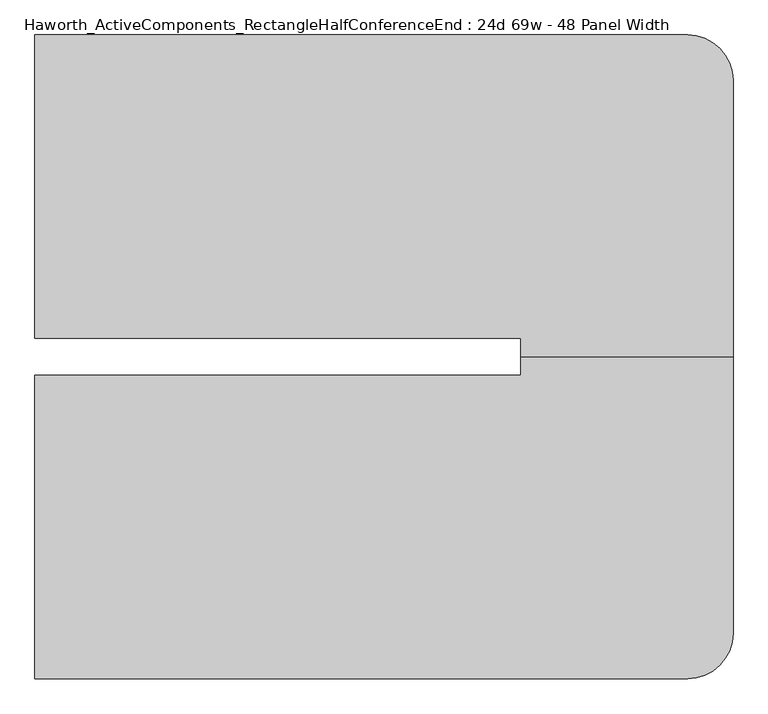
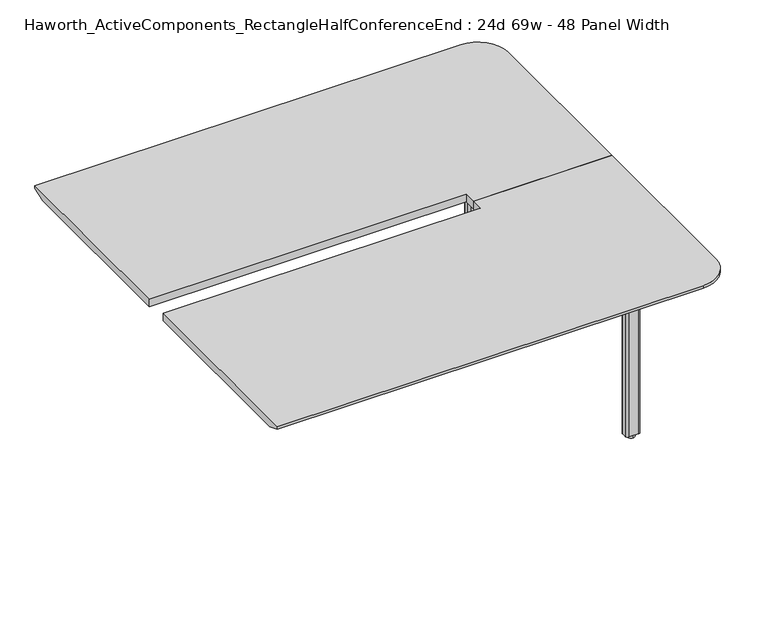
"""IFC4 building model written with IfcOpenShell, lengths in millimetres: furniture geometry, Haworth_ActiveComponents_RectangleHalfConferenceEnd : 24d 69w - 48 Panel Width."""

import ifcopenshell
import ifcopenshell.guid

model = None  # the IFC model being written
_history = None  # IfcOwnerHistory: only IFC2X3 demands one
_inside = {}  # id of a spatial element -> (the spatial element, [elements in it])
_under = {}  # id of a project, library or spatial element -> (it, [spatial elements below it])
_declared = {}  # id of a project -> (the project, [libraries it declares])
_typed = {}  # id of a type object -> (the type object, [elements of that type])
_made_of = {}  # id of a material, layer set ... -> (it, [elements and type objects made of it])


def new_model(schema):
    """Start an empty IFC model of exactly this schema.

    Asked for "IFC4X3", IfcOpenShell would pick the latest addendum, in which some entities
    have other attributes; the version numbers below select the first issue.
    IFC2X3 requires an IfcOwnerHistory on every rooted entity: one is made here for all.
    """
    global model, _history
    if schema == "IFC4X3":
        model = ifcopenshell.file(schema_version=(4, 3, 0, 0))
    else:
        model = ifcopenshell.file(schema=schema)
    _inside.clear()
    _under.clear()
    _declared.clear()
    _typed.clear()
    _made_of.clear()
    _history = None
    if model.schema == "IFC2X3":
        org = make("IfcOrganization", Name="unknown")
        user = make(
            "IfcPersonAndOrganization",
            ThePerson=make("IfcPerson", FamilyName="unknown"),
            TheOrganization=org,
        )
        app = make(
            "IfcApplication",
            ApplicationDeveloper=org,
            Version="unknown",
            ApplicationFullName="unknown",
            ApplicationIdentifier="unknown",
        )
        _history = make(
            "IfcOwnerHistory",
            OwningUser=user,
            OwningApplication=app,
            ChangeAction="ADDED",
            CreationDate=0,
        )
    return model


def make(cls, **values):
    """One entity of the class cls with the attributes given. An attribute that is None is left unset."""
    return model.create_entity(
        cls, **{name: value for name, value in values.items() if value is not None}
    )


def rooted(cls, **values):
    """An entity with a GlobalId (a new one), such as an element, a storey or a relation."""
    return make(cls, GlobalId=ifcopenshell.guid.new(), OwnerHistory=_history, **values)


def si_unit(unit_type, name, prefix=None):
    """IfcSIUnit, for example si_unit("LENGTHUNIT", "METRE", prefix="MILLI")."""
    return make("IfcSIUnit", UnitType=unit_type, Prefix=prefix, Name=name)


def assignment(units):
    """IfcUnitAssignment: the units of a project."""
    return None if units is None else make("IfcUnitAssignment", Units=units)


def point(xyz):
    """IfcCartesianPoint."""
    return None if xyz is None else make("IfcCartesianPoint", Coordinates=xyz)


def direction(xyz):
    """IfcDirection."""
    return None if xyz is None else make("IfcDirection", DirectionRatios=xyz)


def frame(location, z_axis=None, x_axis=None):
    """IfcAxis2Placement3D, a coordinate frame: its origin and axes. An axis left out is left unset."""
    return make(
        "IfcAxis2Placement3D",
        Location=point(location),
        Axis=direction(z_axis),
        RefDirection=direction(x_axis),
    )


def frame_2d(location, x_axis=None):
    """IfcAxis2Placement2D, a coordinate frame in the plane: its origin and x axis."""
    return make(
        "IfcAxis2Placement2D", Location=point(location), RefDirection=direction(x_axis)
    )


def origin():
    """The frame at (0, 0, 0) with its axes left unset."""
    return frame((0.0, 0.0, 0.0))


def origin_with_axes():
    """The frame at (0, 0, 0) with the z axis (0, 0, 1) and the x axis (1, 0, 0) written out."""
    return frame((0.0, 0.0, 0.0), z_axis=(0.0, 0.0, 1.0), x_axis=(1.0, 0.0, 0.0))


def place(relative_to, where):
    """IfcLocalPlacement: puts the frame where relative to a parent placement (None: the world)."""
    return make(
        "IfcLocalPlacement", PlacementRelTo=relative_to, RelativePlacement=where
    )


def context(
    kind, dimensions, precision=None, world=None, true_north=None, identifier=None
):
    """IfcGeometricRepresentationContext, for example the 3D "Model" context."""
    return make(
        "IfcGeometricRepresentationContext",
        ContextIdentifier=identifier,
        ContextType=kind,
        CoordinateSpaceDimension=dimensions,
        Precision=precision,
        WorldCoordinateSystem=world,
        TrueNorth=true_north,
    )


def project(units=None, contexts=None):
    """IfcProject with its units and contexts."""
    return rooted(
        "IfcProject",
        Name="project",
        RepresentationContexts=contexts,
        UnitsInContext=assignment(units),
    )


def spatial(cls, under=None, at=None, **own):
    """A site, building, storey or space (cls), placed at a placement, below another one or the project."""
    s = rooted(cls, ObjectPlacement=at, **own)
    if under is not None:
        _under.setdefault(under.id(), (under, []))[1].append(s)
    return s


def polyline(points):
    """IfcPolyline through the points."""
    return make("IfcPolyline", Points=[point(p) for p in points])


def circle_curve(where, radius):
    """IfcCircle in the frame where."""
    return make("IfcCircle", Position=where, Radius=radius)


def trimmed(basis, trim1, trim2, sense, master):
    """IfcTrimmedCurve: the piece of a basis curve between two trims."""
    return make(
        "IfcTrimmedCurve",
        BasisCurve=basis,
        Trim1=trim1,
        Trim2=trim2,
        SenseAgreement=sense,
        MasterRepresentation=master,
    )


def segment(curve, same_sense, transition):
    """IfcCompositeCurveSegment."""
    return make(
        "IfcCompositeCurveSegment",
        Transition=transition,
        SameSense=same_sense,
        ParentCurve=curve,
    )


def composite_curve(segments, self_intersect=None):
    """IfcCompositeCurve: segments joined end to end."""
    return make("IfcCompositeCurve", Segments=segments, SelfIntersect=self_intersect)


def outline(outer, holes=None, kind="AREA"):
    """IfcArbitraryClosedProfileDef: a profile drawn as a closed curve; with holes, ...WithVoids."""
    if holes is None:
        return make("IfcArbitraryClosedProfileDef", ProfileType=kind, OuterCurve=outer)
    return make(
        "IfcArbitraryProfileDefWithVoids",
        ProfileType=kind,
        OuterCurve=outer,
        InnerCurves=holes,
    )


def extrude(swept, where, along, depth):
    """IfcExtrudedAreaSolid: the profile swept, set in the frame where, extruded along a direction by depth."""
    return make(
        "IfcExtrudedAreaSolid",
        SweptArea=swept,
        Position=where,
        ExtrudedDirection=direction(along),
        Depth=depth,
    )


def shape(context_of_items, identifier, shape_type, items):
    """IfcShapeRepresentation: the items that make up one representation, for example the "Body"."""
    return make(
        "IfcShapeRepresentation",
        ContextOfItems=context_of_items,
        RepresentationIdentifier=identifier,
        RepresentationType=shape_type,
        Items=items,
    )


def source(mapping_origin, context_of_items, identifier, shape_type, items):
    """IfcRepresentationMap: a shape defined once, which mapped items show again and again."""
    return make(
        "IfcRepresentationMap",
        MappingOrigin=mapping_origin,
        MappedRepresentation=shape(context_of_items, identifier, shape_type, items),
    )


def transform(
    local_origin,
    x_axis=None,
    y_axis=None,
    z_axis=None,
    scale=None,
    scale2=None,
    scale3=None,
    uniform=True,
):
    """IfcCartesianTransformationOperator3D, or its non-uniform kind. x_axis, y_axis, z_axis: its Axis1, 2, 3."""
    if uniform:
        return make(
            "IfcCartesianTransformationOperator3D",
            Axis1=direction(x_axis),
            Axis2=direction(y_axis),
            LocalOrigin=point(local_origin),
            Scale=scale,
            Axis3=direction(z_axis),
        )
    return make(
        "IfcCartesianTransformationOperator3DnonUniform",
        Axis1=direction(x_axis),
        Axis2=direction(y_axis),
        LocalOrigin=point(local_origin),
        Scale=scale,
        Axis3=direction(z_axis),
        Scale2=scale2,
        Scale3=scale3,
    )


def mapped(mapping_source, mapping_target):
    """IfcMappedItem: shows the shape of a source again, moved by a transform."""
    return make(
        "IfcMappedItem", MappingSource=mapping_source, MappingTarget=mapping_target
    )


def made_of(thing, what):
    """Note that an element or type object is made of a material, layer set ...; save() writes the relation."""
    if what is not None:
        _made_of.setdefault(what.id(), (what, []))[1].append(thing)
    return thing


def element(
    cls,
    number,
    at=None,
    inside=None,
    cuts=None,
    type_object=None,
    material=None,
    context=None,
    identifier="Body",
    shape_type=None,
    held_by="IfcProductDefinitionShape",
    body=None,
    shapes=None,
    **own,
):
    """One element of the class cls, such as IfcWall. Its Tag is "e" and its number.

    at: its placement. inside: the storey or other place that contains it. cuts: it is an
    opening in that element (IfcRelVoidsElement). A single representation is given by context,
    identifier, shape_type and body (its items); several are given by shapes. held_by: the class
    of the entity that holds the representations. save() writes the other relations.
    """
    e = rooted(cls, Tag="e%d" % number, ObjectPlacement=at, **own)
    if body is not None:
        shapes = [shape(context, identifier, shape_type, body)]
    if shapes is not None:
        e.Representation = make(held_by, Representations=shapes)
    if inside is not None:
        _inside.setdefault(inside.id(), (inside, []))[1].append(e)
    if cuts is not None:
        rooted(
            "IfcRelVoidsElement", RelatingBuildingElement=cuts, RelatedOpeningElement=e
        )
    if type_object is not None:
        _typed.setdefault(type_object.id(), (type_object, []))[1].append(e)
    return made_of(e, material)


def aggregate(whole, parts):
    """IfcRelAggregates: a whole, such as a stair, and the parts it consists of."""
    return rooted("IfcRelAggregates", RelatingObject=whole, RelatedObjects=parts)


def save(model, path):
    """Write the relations noted so far, then the file.

    IfcRelAggregates (storeys below a building ...), IfcRelContainedInSpatialStructure (elements
    in a storey), IfcRelDefinesByType, IfcRelAssociatesMaterial and IfcRelDeclares: one each for
    every whole, place, type object, material and project.
    """
    for whole, parts in _under.values():
        aggregate(whole, parts)
    for where, things in _inside.values():
        rooted(
            "IfcRelContainedInSpatialStructure",
            RelatedElements=things,
            RelatingStructure=where,
        )
    for kind, things in _typed.values():
        rooted("IfcRelDefinesByType", RelatedObjects=things, RelatingType=kind)
    for what, things in _made_of.values():
        rooted("IfcRelAssociatesMaterial", RelatedObjects=things, RelatingMaterial=what)
    for by, libraries in _declared.values():
        rooted("IfcRelDeclares", RelatingContext=by, RelatedDefinitions=libraries)
    model.write(path)


def plane_surface(at):
    """IfcPlane: the flat surface through the origin of the frame at, square to its z axis."""
    return make("IfcPlane", Position=at)


def cylinder_surface(at, radius):
    """IfcCylindricalSurface: all points at the distance radius from the z axis of the frame at."""
    return make("IfcCylindricalSurface", Position=at, Radius=radius)


def revolved_surface(curve, axis_point, axis_direction):
    """IfcSurfaceOfRevolution: the curve turned about the line through axis_point along axis_direction."""
    return make(
        "IfcSurfaceOfRevolution",
        SweptCurve=make("IfcArbitraryOpenProfileDef", ProfileType="CURVE", Curve=curve),
        AxisPosition=make("IfcAxis1Placement", Location=point(axis_point), Axis=direction(axis_direction)),
    )


def advanced_brep(points, edges, surfaces, faces):
    """IfcAdvancedBrep: a solid bounded by faces that lie on surfaces and meet in shared edges.

    An edge is (start, end): straight between two places in points (the first is 0);
    or (start, end, curve); or (start, end, curve, False) where it runs against its curve.
    A face is (place in surfaces, loops), or (place, loops, False) where it looks against
    its surface's normal. A loop lists edges by number (the first is 1), with a minus sign
    where the edge is run from its end to its start. The first loop is the outer one.
    """
    corners = [point(p) for p in points]
    vertices = [make("IfcVertexPoint", VertexGeometry=c) for c in corners]
    made = []
    for start, end, *more in edges:
        made.append(
            make(
                "IfcEdgeCurve",
                EdgeStart=vertices[start],
                EdgeEnd=vertices[end],
                EdgeGeometry=more[0] if more else make("IfcPolyline", Points=[corners[start], corners[end]]),
                SameSense=more[1] if len(more) > 1 else True,
            )
        )
    hull = []
    for where, loops, *sense in faces:
        bounds = []
        for j, loop in enumerate(loops):
            ring = [make("IfcOrientedEdge", EdgeElement=made[abs(k) - 1], Orientation=k > 0) for k in loop]
            bounds.append(
                make(
                    "IfcFaceOuterBound" if j == 0 else "IfcFaceBound",
                    Bound=make("IfcEdgeLoop", EdgeList=ring),
                    Orientation=True,
                )
            )
        hull.append(make("IfcAdvancedFace", Bounds=bounds, FaceSurface=surfaces[where], SameSense=sense[0] if sense else True))
    return make("IfcAdvancedBrep", Outer=make("IfcClosedShell", CfsFaces=hull))


def haworth_activecomponents_rectanglehalfconferenceend_24d_69w_4d242144(model_context):
    return source(origin(), model_context, "Body", "SolidModel", [
        extrude(outline(composite_curve([segment(polyline([(1015.20625, 754.3340234), (1015.20625, 887.6840234)]), True, "CONTINUOUS"), segment(trimmed(circle_curve(frame_2d((1024.73125, 887.6840234)), 9.525), [point((1015.20625, 887.6840234))], [point((1024.73125, 897.2090234))], False, "CARTESIAN"), True, "CONTINUOUS"), segment(polyline([(1024.73125, 897.2090234), (1158.08125, 897.2090234)]), True, "CONTINUOUS"), segment(trimmed(circle_curve(frame_2d((1158.08125, 887.6840234)), 9.525), [point((1158.08125, 897.2090234))], [point((1167.60625, 887.6840234))], False, "CARTESIAN"), True, "CONTINUOUS"), segment(polyline([(1167.60625, 887.6840234), (1167.60625, 754.3340234)]), True, "CONTINUOUS"), segment(trimmed(circle_curve(frame_2d((1158.08125, 754.3340234)), 9.525), [point((1167.60625, 754.3340234))], [point((1158.08125, 744.8090234))], False, "CARTESIAN"), True, "CONTINUOUS"), segment(polyline([(1158.08125, 744.8090234), (1024.73125, 744.8090234)]), True, "CONTINUOUS"), segment(trimmed(circle_curve(frame_2d((1024.73125, 754.3340234)), 9.525), [point((1024.73125, 744.8090234))], [point((1015.20625, 754.3340234))], False, "CARTESIAN"), True, "CONTINUOUS")], self_intersect=False)), frame((0.0, 0.0, 706.4375), z_axis=(0.0, 0.0, 1.0), x_axis=(1.0, 0.0, 0.0)), (0.0, 0.0, 1.0), 4.7625),
        extrude(outline(composite_curve([segment(trimmed(circle_curve(frame_2d((1091.40625, 821.0090234)), 13.6023831), [point((1091.40625, 834.6114065))], [point((1091.40625, 807.4066404))], False, "CARTESIAN"), True, "CONTINUOUS"), segment(trimmed(circle_curve(frame_2d((1091.40625, 821.0090234)), 13.6023831), [point((1091.40625, 807.4066404))], [point((1091.40625, 834.6114065))], False, "CARTESIAN"), True, "CONTINUOUS")], self_intersect=False)), origin_with_axes(), (0.0, 0.0, 1.0), 12.7),
        extrude(outline(composite_curve([segment(polyline([(1063.625, 813.0715234), (1063.625, 828.9465234)]), True, "CONTINUOUS"), segment(trimmed(circle_curve(frame_2d((1073.15, 828.9465234)), 9.525), [point((1063.625, 828.9465234))], [point((1073.15, 838.4715234))], False, "CARTESIAN"), True, "CONTINUOUS"), segment(polyline([(1073.15, 838.4715234), (1109.6625, 838.4715234)]), True, "CONTINUOUS"), segment(trimmed(circle_curve(frame_2d((1109.6625, 828.9465234)), 9.525), [point((1109.6625, 838.4715234))], [point((1119.1875, 828.9465234))], False, "CARTESIAN"), True, "CONTINUOUS"), segment(polyline([(1119.1875, 828.9465234), (1119.1875, 813.0715234)]), True, "CONTINUOUS"), segment(trimmed(circle_curve(frame_2d((1109.6625, 813.0715234)), 9.525), [point((1119.1875, 813.0715234))], [point((1109.6625, 803.5465234))], False, "CARTESIAN"), True, "CONTINUOUS"), segment(polyline([(1109.6625, 803.5465234), (1073.15, 803.5465234)]), True, "CONTINUOUS"), segment(trimmed(circle_curve(frame_2d((1073.15, 813.0715234)), 9.525), [point((1073.15, 803.5465234))], [point((1063.625, 813.0715234))], False, "CARTESIAN"), True, "CONTINUOUS")], self_intersect=False)), frame((0.0, 0.0, 12.7), z_axis=(0.0, 0.0, 1.0), x_axis=(1.0, 0.0, 0.0)), (0.0, 0.0, 1.0), 693.7375),
        advanced_brep(
        [(787.4, 341.5840234, 741.3625), (787.4, 295.5465234, 741.3625), (1320.8, 295.5465234, 741.3625), (1320.8, 989.2840234, 741.3625), (1206.5, 1103.5840234, 741.3625), (-431.8, 1103.5840234, 741.3625), (-431.8, 341.5840234, 741.3625), (787.4, 341.5840234, 711.2), (-431.8, 341.5840234, 711.2), (-431.8, 1052.7840234, 711.2), (1206.5, 1052.7840234, 711.2), (1270.0, 989.2840234, 711.2), (1270.0, 295.5465234, 711.2), (787.4, 295.5465234, 711.2), (-431.8, 1103.5840234, 731.8375), (1206.5, 1103.5840234, 731.8375), (1320.8, 295.5465234, 731.8375), (1320.8, 989.2840234, 731.8375)],
        [
            (0, 1),
            (1, 2),
            (2, 3),
            (3, 4, circle_curve(frame((1206.5, 989.2840234, 741.3625), z_axis=(0.0, 0.0, 1.0), x_axis=(1.0, 0.0, 0.0)), 114.3)),
            (4, 5),
            (5, 6),
            (6, 0),
            (7, 8),
            (8, 9),
            (9, 10),
            (10, 11, circle_curve(frame((1206.5, 989.2840234, 711.2), z_axis=(0.0, 0.0, -1.0), x_axis=(0.0, 1.0, 0.0)), 63.5)),
            (11, 12),
            (12, 13),
            (13, 7),
            (6, 8),
            (7, 0),
            (5, 14),
            (14, 9),
            (4, 15),
            (15, 14),
            (2, 16),
            (16, 17),
            (17, 3),
            (17, 15, circle_curve(frame((1206.5, 989.2840234, 731.8375), z_axis=(0.0, 0.0, 1.0), x_axis=(1.0, 0.0, 0.0)), 114.3)),
            (1, 13),
            (12, 16),
            (15, 10),
            (17, 11),
        ],
        [
            plane_surface(frame((-431.8, 341.5840234, 741.3625), z_axis=(0.0, 0.0, 1.0), x_axis=(-1.0, 0.0, 0.0))),
            plane_surface(frame((-431.8, 341.5840234, 711.2), z_axis=(0.0, 0.0, -1.0), x_axis=(1.0, 0.0, 0.0))),
            plane_surface(frame((787.4, 341.5840234, 741.3625), z_axis=(0.0, -1.0, 0.0), x_axis=(0.0, 0.0, -1.0))),
            plane_surface(frame((-431.8, 341.5840234, 741.3625), z_axis=(-1.0, 0.0, 0.0), x_axis=(0.0, 0.0, -1.0))),
            plane_surface(frame((-431.8, 1103.5840234, 741.3625), z_axis=(0.0, 1.0, 0.0), x_axis=(0.0, 0.0, -1.0))),
            plane_surface(frame((1320.8, 989.2840234, 741.3625), z_axis=(1.0, 0.0, 0.0), x_axis=(0.0, 0.0, -1.0))),
            cylinder_surface(frame((1206.5, 989.2840234, 711.2), z_axis=(0.0, 0.0, 1.0), x_axis=(1.0, 0.0, 0.0)), 114.3),
            plane_surface(frame((1320.8, 295.5465234, 741.3625), z_axis=(0.0, -1.0, 0.0), x_axis=(0.0, 0.0, -1.0))),
            plane_surface(frame((787.4, 295.5465234, 741.3625), z_axis=(-1.0, 0.0, 0.0), x_axis=(0.0, 0.0, -1.0))),
            plane_surface(frame((-431.8, 1103.5840234, 731.8375), z_axis=(0.0, 0.3763770469570871, -0.9264665771218423), x_axis=(1.0, 0.0, 0.0))),
            revolved_surface(polyline([(1206.5, 1052.7840234, 711.2), (1206.5, 1103.5840234, 731.8375)]), (1206.5, 989.2840234, 0.0), (0.0, 0.0, 1.0)),
            plane_surface(frame((1320.8, 989.2840234, 731.8375), z_axis=(0.3763770469570871, 0.0, -0.9264665771218423), x_axis=(0.0, -1.0, 0.0))),
        ],
        [
            (0, [[1, 2, 3, 4, 5, 6, 7]]),
            (1, [[8, 9, 10, 11, 12, 13, 14]]),
            (2, [[15, -8, 16, -7]]),
            (3, [[17, 18, -9, -15, -6]]),
            (4, [[19, 20, -17, -5]]),
            (5, [[21, 22, 23, -3]]),
            (6, [[-23, 24, -19, -4]]),
            (7, [[25, -13, 26, -21, -2]]),
            (8, [[-16, -14, -25, -1]]),
            (9, [[-10, -18, -20, 27]]),
            (10, [[-24, 28, -11, -27]]),
            (11, [[-22, -26, -12, -28]]),
        ],
    ),
        extrude(outline(composite_curve([segment(trimmed(circle_curve(frame_2d((1024.73125, -163.2409766)), 9.525), [point((1015.20625, -163.2409766))], [point((1024.73125, -153.7159766))], False, "CARTESIAN"), True, "CONTINUOUS"), segment(polyline([(1024.73125, -153.7159766), (1158.08125, -153.7159766)]), True, "CONTINUOUS"), segment(trimmed(circle_curve(frame_2d((1158.08125, -163.2409766)), 9.525), [point((1158.08125, -153.7159766))], [point((1167.60625, -163.2409766))], False, "CARTESIAN"), True, "CONTINUOUS"), segment(polyline([(1167.60625, -163.2409766), (1167.60625, -296.5909766)]), True, "CONTINUOUS"), segment(trimmed(circle_curve(frame_2d((1158.08125, -296.5909766)), 9.525), [point((1167.60625, -296.5909766))], [point((1158.08125, -306.1159766))], False, "CARTESIAN"), True, "CONTINUOUS"), segment(polyline([(1158.08125, -306.1159766), (1024.73125, -306.1159766)]), True, "CONTINUOUS"), segment(trimmed(circle_curve(frame_2d((1024.73125, -296.5909766)), 9.525), [point((1024.73125, -306.1159766))], [point((1015.20625, -296.5909766))], False, "CARTESIAN"), True, "CONTINUOUS"), segment(polyline([(1015.20625, -296.5909766), (1015.20625, -163.2409766)]), True, "CONTINUOUS")], self_intersect=False)), frame((0.0, 0.0, 706.4375), z_axis=(0.0, 0.0, 1.0), x_axis=(1.0, 0.0, 0.0)), (0.0, 0.0, 1.0), 4.7625),
        extrude(outline(composite_curve([segment(trimmed(circle_curve(frame_2d((1091.40625, -229.9159766)), 13.6023831), [point((1091.40625, -243.5183596))], [point((1091.40625, -216.3135935))], False, "CARTESIAN"), True, "CONTINUOUS"), segment(trimmed(circle_curve(frame_2d((1091.40625, -229.9159766)), 13.6023831), [point((1091.40625, -216.3135935))], [point((1091.40625, -243.5183596))], False, "CARTESIAN"), True, "CONTINUOUS")], self_intersect=False)), origin_with_axes(), (0.0, 0.0, 1.0), 12.7),
        extrude(outline(composite_curve([segment(trimmed(circle_curve(frame_2d((1073.15, -221.9784766)), 9.525), [point((1063.625, -221.9784766))], [point((1073.15, -212.4534766))], False, "CARTESIAN"), True, "CONTINUOUS"), segment(polyline([(1073.15, -212.4534766), (1109.6625, -212.4534766)]), True, "CONTINUOUS"), segment(trimmed(circle_curve(frame_2d((1109.6625, -221.9784766)), 9.525), [point((1109.6625, -212.4534766))], [point((1119.1875, -221.9784766))], False, "CARTESIAN"), True, "CONTINUOUS"), segment(polyline([(1119.1875, -221.9784766), (1119.1875, -237.8534766)]), True, "CONTINUOUS"), segment(trimmed(circle_curve(frame_2d((1109.6625, -237.8534766)), 9.525), [point((1119.1875, -237.8534766))], [point((1109.6625, -247.3784766))], False, "CARTESIAN"), True, "CONTINUOUS"), segment(polyline([(1109.6625, -247.3784766), (1073.15, -247.3784766)]), True, "CONTINUOUS"), segment(trimmed(circle_curve(frame_2d((1073.15, -237.8534766)), 9.525), [point((1073.15, -247.3784766))], [point((1063.625, -237.8534766))], False, "CARTESIAN"), True, "CONTINUOUS"), segment(polyline([(1063.625, -237.8534766), (1063.625, -221.9784766)]), True, "CONTINUOUS")], self_intersect=False)), frame((0.0, 0.0, 12.7), z_axis=(0.0, 0.0, 1.0), x_axis=(1.0, 0.0, 0.0)), (0.0, 0.0, 1.0), 693.7375),
        advanced_brep(
        [(787.4, 249.5090234, 741.3625), (-431.8, 249.5090234, 741.3625), (-431.8, -512.4909766, 741.3625), (1206.5, -512.4909766, 741.3625), (1320.8, -398.1909766, 741.3625), (1320.8, 295.5465234, 741.3625), (787.4, 295.5465234, 741.3625), (787.4, 249.5090234, 711.2), (787.4, 295.5465234, 711.2), (1270.0, 295.5465234, 711.2), (1270.0, -398.1909766, 711.2), (1206.5, -461.6909766, 711.2), (-431.8, -461.6909766, 711.2), (-431.8, 249.5090234, 711.2), (-431.8, -512.4909766, 731.8375), (1206.5, -512.4909766, 731.8375), (1320.8, -398.1909766, 731.8375), (1320.8, 295.5465234, 731.8375)],
        [
            (0, 1),
            (1, 2),
            (2, 3),
            (3, 4, circle_curve(frame((1206.5, -398.1909766, 741.3625), z_axis=(0.0, 0.0, 1.0), x_axis=(1.0, 0.0, 0.0)), 114.3)),
            (4, 5),
            (5, 6),
            (6, 0),
            (7, 8),
            (8, 9),
            (9, 10),
            (10, 11, circle_curve(frame((1206.5, -398.1909766, 711.2), z_axis=(0.0, 0.0, -1.0), x_axis=(0.0, -1.0, 0.0)), 63.5)),
            (11, 12),
            (12, 13),
            (13, 7),
            (0, 7),
            (13, 1),
            (12, 14),
            (14, 2),
            (14, 15),
            (15, 3),
            (4, 16),
            (16, 17),
            (17, 5),
            (15, 16, circle_curve(frame((1206.5, -398.1909766, 731.8375), z_axis=(0.0, 0.0, 1.0), x_axis=(1.0, 0.0, 0.0)), 114.3)),
            (17, 9),
            (8, 6),
            (11, 15),
            (10, 16),
        ],
        [
            plane_surface(frame((-431.8, 249.5090234, 741.3625), z_axis=(0.0, 0.0, 1.0), x_axis=(-1.0, 0.0, 0.0))),
            plane_surface(frame((-431.8, 249.5090234, 711.2), z_axis=(0.0, 0.0, -1.0), x_axis=(1.0, 0.0, 0.0))),
            plane_surface(frame((787.4, 249.5090234, 741.3625), z_axis=(0.0, 1.0, 0.0), x_axis=(0.0, 0.0, -1.0))),
            plane_surface(frame((-431.8, 249.5090234, 741.3625), z_axis=(-1.0, 0.0, 0.0), x_axis=(0.0, 0.0, -1.0))),
            plane_surface(frame((-431.8, -512.4909766, 741.3625), z_axis=(0.0, -1.0, 0.0), x_axis=(0.0, 0.0, -1.0))),
            plane_surface(frame((1320.8, -398.1909766, 741.3625), z_axis=(1.0, 0.0, 0.0), x_axis=(0.0, 0.0, -1.0))),
            cylinder_surface(frame((1206.5, -398.1909766, 711.2), z_axis=(0.0, 0.0, 1.0), x_axis=(1.0, 0.0, 0.0)), 114.3),
            plane_surface(frame((1320.8, 295.5465234, 741.3625), z_axis=(0.0, 1.0, 0.0), x_axis=(0.0, 0.0, -1.0))),
            plane_surface(frame((787.4, 295.5465234, 741.3625), z_axis=(-1.0, 0.0, 0.0), x_axis=(0.0, 0.0, -1.0))),
            plane_surface(frame((-431.8, -512.4909766, 731.8375), z_axis=(0.0, -0.3763770469570871, -0.9264665771218423), x_axis=(1.0, 0.0, 0.0))),
            revolved_surface(polyline([(1206.5, -461.6909766, 711.2), (1206.5, -512.4909766, 731.8375)]), (1206.5, -398.1909766, 0.0), (0.0, 0.0, 1.0)),
            plane_surface(frame((1320.8, -398.1909766, 731.8375), z_axis=(0.3763770469570871, 0.0, -0.9264665771218423), x_axis=(0.0, 1.0, 0.0))),
        ],
        [
            (0, [[1, 2, 3, 4, 5, 6, 7]]),
            (1, [[8, 9, 10, 11, 12, 13, 14]]),
            (2, [[-1, 15, -14, 16]]),
            (3, [[-2, -16, -13, 17, 18]]),
            (4, [[-3, -18, 19, 20]]),
            (5, [[-5, 21, 22, 23]]),
            (6, [[-4, -20, 24, -21]]),
            (7, [[-6, -23, 25, -9, 26]]),
            (8, [[-7, -26, -8, -15]]),
            (9, [[27, -19, -17, -12]]),
            (10, [[-27, -11, 28, -24]]),
            (11, [[-28, -10, -25, -22]]),
        ],
    ),
    ])


if __name__ == "__main__":
    model = new_model("IFC4")
    model_context = context("Model", 3, world=origin())
    ifc_project = project(units=[si_unit("LENGTHUNIT", "METRE", prefix="MILLI")], contexts=[model_context])
    site = spatial("IfcSite", under=ifc_project)
    building = spatial("IfcBuilding", under=site)
    placement = place(None, origin())
    haworth_activecomponents_rectanglehalfconferenceend_24d_69w_shape = haworth_activecomponents_rectanglehalfconferenceend_24d_69w_4d242144(model_context)
    element("IfcFurniture", 1, ObjectType="Haworth_ActiveComponents_RectangleHalfConferenceEnd : 24d 69w - 48 Panel Width", at=placement, inside=building, context=model_context, shape_type="MappedRepresentation", body=[
        mapped(haworth_activecomponents_rectanglehalfconferenceend_24d_69w_shape, transform((0.0, 0.0, 0.0), x_axis=(1.0, 0.0, 0.0), y_axis=(0.0, 1.0, 0.0), z_axis=(0.0, 0.0, 1.0))),
    ])
    save(model, "model.ifc")
